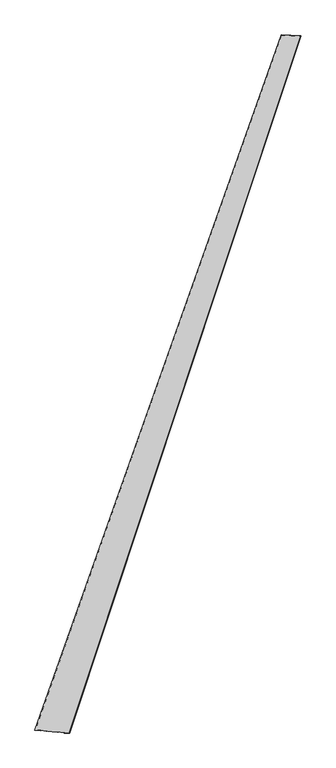
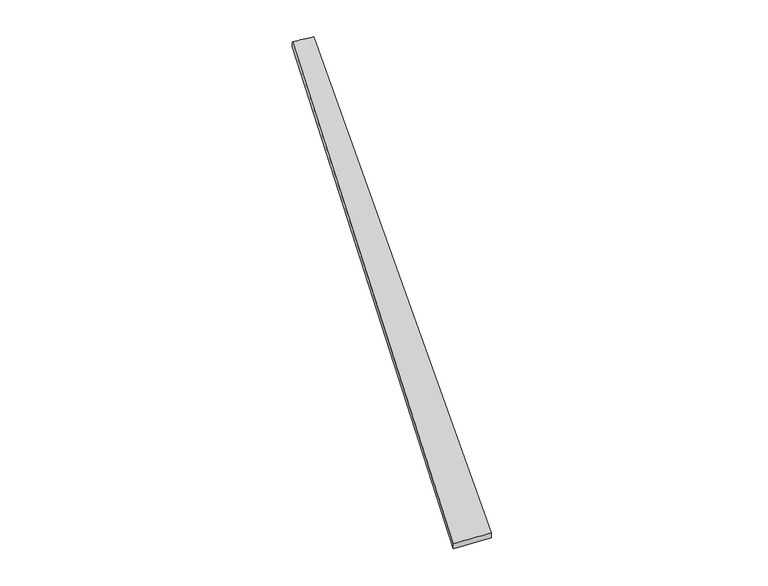
"""IFC4 building model written with IfcOpenShell, lengths in millimetres: proxy geometry."""

from ifc_helpers import new_model, si_unit, origin, place, context, project, spatial, source, transform, mapped, element, save
from ifc_brep_helpers import spline_surface, advanced_brep


def generic_models_0c733dc6(model_context):
    return source(origin(), model_context, "Body", "AdvancedBrep", [
        advanced_brep(
        [(-739.6849451, -1873.8685276, -2.42616), (-740.4012899, -1873.6631936, 27.5645834), (731.0397999, 2264.9509696, 34.1380415), (728.2024691, 2266.0054396, 4.291138), (-534.850176, -1891.6247764, 32.413979), (847.1977594, 2259.297208, 25.671399), (-534.2039973, -1891.8880162, 2.4220941), (845.6864733, 2259.7511042, -4.2870722)],
        [
            (0, 1),
            (1, 2),
            (2, 3),
            (3, 0),
            (1, 4),
            (4, 5),
            (5, 2),
            (4, 6),
            (6, 7),
            (7, 5),
            (6, 0),
            (3, 7),
        ],
        [
            spline_surface(1, 1, [[(-739.6849451, -1873.8685276, -2.42616), (728.2024691, 2266.0054396, 4.291138)], [(-740.4012899, -1873.6631936, 27.5645834), (731.0397999, 2264.9509696, 34.1380415)]], [2, 2], [2, 2], [0.0, 1.0], [0.0, 1.0]),
            spline_surface(1, 1, [[(-740.4012899, -1873.6631936, 27.5645834), (731.0397999, 2264.9509696, 34.1380415)], [(-534.850176, -1891.6247764, 32.413979), (847.1977594, 2259.297208, 25.671399)]], [2, 2], [2, 2], [0.0, 1.0], [0.0, 1.0]),
            spline_surface(1, 1, [[(-534.850176, -1891.6247764, 32.413979), (847.1977594, 2259.297208, 25.671399)], [(-534.2039973, -1891.8880162, 2.4220941), (845.6864733, 2259.7511042, -4.2870722)]], [2, 2], [2, 2], [0.0, 1.0], [0.0, 1.0]),
            spline_surface(1, 1, [[(-534.2039973, -1891.8880162, 2.4220941), (845.6864733, 2259.7511042, -4.2870722)], [(-739.6849451, -1873.8685276, -2.42616), (728.2024691, 2266.0054396, 4.291138)]], [2, 2], [2, 2], [0.0, 1.0], [0.0, 1.0]),
            spline_surface(1, 1, [[(731.0397999, 2264.9509696, 34.1380415), (728.2024691, 2266.0054396, 4.291138)], [(847.1977594, 2259.297208, 25.671399), (845.6864733, 2259.7511042, -4.2870722)]], [2, 2], [2, 2], [0.0, 1.0], [0.0, 1.0]),
            spline_surface(1, 1, [[(-534.2039973, -1891.8880162, 2.4220941), (-739.6849451, -1873.8685276, -2.42616)], [(-534.850176, -1891.6247764, 32.413979), (-740.4012899, -1873.6631936, 27.5645834)]], [2, 2], [2, 2], [0.0, 1.0], [0.0, 1.0]),
        ],
        [
            (0, [[1, 2, 3, 4]]),
            (1, [[5, 6, 7, -2]]),
            (2, [[8, 9, 10, -6]]),
            (3, [[11, -4, 12, -9]]),
            (4, [[-3, -7, -10, -12]]),
            (5, [[-11, -8, -5, -1]]),
        ],
    ),
    ])


if __name__ == "__main__":
    model = new_model("IFC4")
    model_context = context("Model", 3, world=origin())
    ifc_project = project(units=[si_unit("LENGTHUNIT", "METRE", prefix="MILLI")], contexts=[model_context])
    site = spatial("IfcSite", under=ifc_project)
    building = spatial("IfcBuilding", under=site)
    placement = place(None, origin())
    generic_models_shape = generic_models_0c733dc6(model_context)
    element("IfcBuildingElementProxy", 1, Name="Generic Models", at=placement, inside=building, context=model_context, shape_type="MappedRepresentation", body=[
        mapped(generic_models_shape, transform((0.0, 0.0, 0.0), x_axis=(1.0, 0.0, 0.0), y_axis=(0.0, 1.0, 0.0), z_axis=(0.0, 0.0, 1.0))),
    ])
    save(model, "model.ifc")
